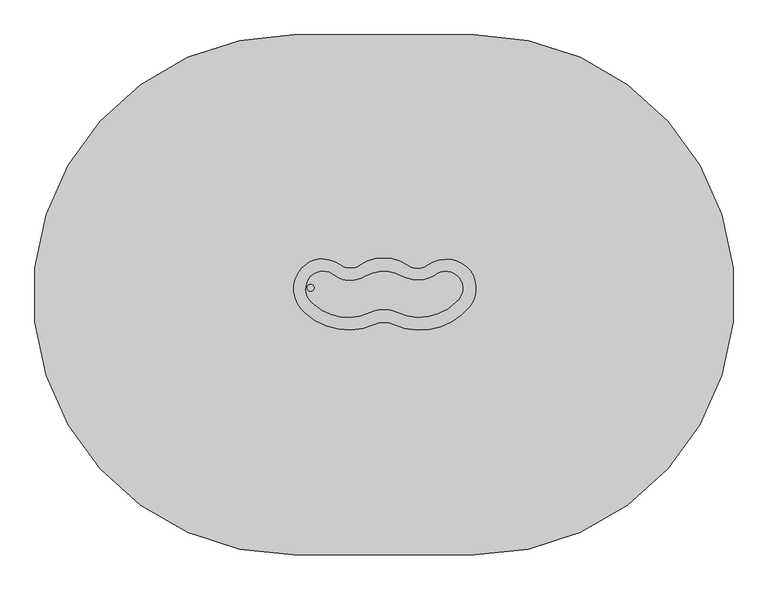
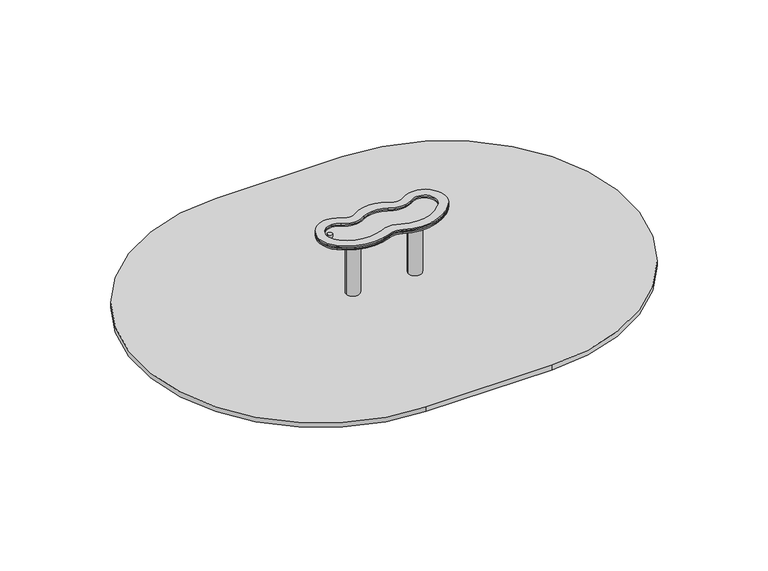
"""IFC4 building model written with IfcOpenShell, lengths in millimetres: furniture geometry."""

import ifcopenshell
import ifcopenshell.guid

model = None  # the IFC model being written
_history = None  # IfcOwnerHistory: only IFC2X3 demands one
_inside = {}  # id of a spatial element -> (the spatial element, [elements in it])
_under = {}  # id of a project, library or spatial element -> (it, [spatial elements below it])
_declared = {}  # id of a project -> (the project, [libraries it declares])
_typed = {}  # id of a type object -> (the type object, [elements of that type])
_made_of = {}  # id of a material, layer set ... -> (it, [elements and type objects made of it])


def new_model(schema):
    """Start an empty IFC model of exactly this schema.

    Asked for "IFC4X3", IfcOpenShell would pick the latest addendum, in which some entities
    have other attributes; the version numbers below select the first issue.
    IFC2X3 requires an IfcOwnerHistory on every rooted entity: one is made here for all.
    """
    global model, _history
    if schema == "IFC4X3":
        model = ifcopenshell.file(schema_version=(4, 3, 0, 0))
    else:
        model = ifcopenshell.file(schema=schema)
    _inside.clear()
    _under.clear()
    _declared.clear()
    _typed.clear()
    _made_of.clear()
    _history = None
    if model.schema == "IFC2X3":
        org = make("IfcOrganization", Name="unknown")
        user = make(
            "IfcPersonAndOrganization",
            ThePerson=make("IfcPerson", FamilyName="unknown"),
            TheOrganization=org,
        )
        app = make(
            "IfcApplication",
            ApplicationDeveloper=org,
            Version="unknown",
            ApplicationFullName="unknown",
            ApplicationIdentifier="unknown",
        )
        _history = make(
            "IfcOwnerHistory",
            OwningUser=user,
            OwningApplication=app,
            ChangeAction="ADDED",
            CreationDate=0,
        )
    return model


def make(cls, **values):
    """One entity of the class cls with the attributes given. An attribute that is None is left unset."""
    return model.create_entity(
        cls, **{name: value for name, value in values.items() if value is not None}
    )


def rooted(cls, **values):
    """An entity with a GlobalId (a new one), such as an element, a storey or a relation."""
    return make(cls, GlobalId=ifcopenshell.guid.new(), OwnerHistory=_history, **values)


def si_unit(unit_type, name, prefix=None):
    """IfcSIUnit, for example si_unit("LENGTHUNIT", "METRE", prefix="MILLI")."""
    return make("IfcSIUnit", UnitType=unit_type, Prefix=prefix, Name=name)


def assignment(units):
    """IfcUnitAssignment: the units of a project."""
    return None if units is None else make("IfcUnitAssignment", Units=units)


def point(xyz):
    """IfcCartesianPoint."""
    return None if xyz is None else make("IfcCartesianPoint", Coordinates=xyz)


def direction(xyz):
    """IfcDirection."""
    return None if xyz is None else make("IfcDirection", DirectionRatios=xyz)


def frame(location, z_axis=None, x_axis=None):
    """IfcAxis2Placement3D, a coordinate frame: its origin and axes. An axis left out is left unset."""
    return make(
        "IfcAxis2Placement3D",
        Location=point(location),
        Axis=direction(z_axis),
        RefDirection=direction(x_axis),
    )


def frame_2d(location, x_axis=None):
    """IfcAxis2Placement2D, a coordinate frame in the plane: its origin and x axis."""
    return make(
        "IfcAxis2Placement2D", Location=point(location), RefDirection=direction(x_axis)
    )


def origin():
    """The frame at (0, 0, 0) with its axes left unset."""
    return frame((0.0, 0.0, 0.0))


def place(relative_to, where):
    """IfcLocalPlacement: puts the frame where relative to a parent placement (None: the world)."""
    return make(
        "IfcLocalPlacement", PlacementRelTo=relative_to, RelativePlacement=where
    )


def context(
    kind, dimensions, precision=None, world=None, true_north=None, identifier=None
):
    """IfcGeometricRepresentationContext, for example the 3D "Model" context."""
    return make(
        "IfcGeometricRepresentationContext",
        ContextIdentifier=identifier,
        ContextType=kind,
        CoordinateSpaceDimension=dimensions,
        Precision=precision,
        WorldCoordinateSystem=world,
        TrueNorth=true_north,
    )


def project(units=None, contexts=None):
    """IfcProject with its units and contexts."""
    return rooted(
        "IfcProject",
        Name="project",
        RepresentationContexts=contexts,
        UnitsInContext=assignment(units),
    )


def spatial(cls, under=None, at=None, **own):
    """A site, building, storey or space (cls), placed at a placement, below another one or the project."""
    s = rooted(cls, ObjectPlacement=at, **own)
    if under is not None:
        _under.setdefault(under.id(), (under, []))[1].append(s)
    return s


def polyline(points):
    """IfcPolyline through the points."""
    return make("IfcPolyline", Points=[point(p) for p in points])


def circle_curve(where, radius):
    """IfcCircle in the frame where."""
    return make("IfcCircle", Position=where, Radius=radius)


def trimmed(basis, trim1, trim2, sense, master):
    """IfcTrimmedCurve: the piece of a basis curve between two trims."""
    return make(
        "IfcTrimmedCurve",
        BasisCurve=basis,
        Trim1=trim1,
        Trim2=trim2,
        SenseAgreement=sense,
        MasterRepresentation=master,
    )


def segment(curve, same_sense, transition):
    """IfcCompositeCurveSegment."""
    return make(
        "IfcCompositeCurveSegment",
        Transition=transition,
        SameSense=same_sense,
        ParentCurve=curve,
    )


def composite_curve(segments, self_intersect=None):
    """IfcCompositeCurve: segments joined end to end."""
    return make("IfcCompositeCurve", Segments=segments, SelfIntersect=self_intersect)


def outline(outer, holes=None, kind="AREA"):
    """IfcArbitraryClosedProfileDef: a profile drawn as a closed curve; with holes, ...WithVoids."""
    if holes is None:
        return make("IfcArbitraryClosedProfileDef", ProfileType=kind, OuterCurve=outer)
    return make(
        "IfcArbitraryProfileDefWithVoids",
        ProfileType=kind,
        OuterCurve=outer,
        InnerCurves=holes,
    )


def extrude(swept, where, along, depth):
    """IfcExtrudedAreaSolid: the profile swept, set in the frame where, extruded along a direction by depth."""
    return make(
        "IfcExtrudedAreaSolid",
        SweptArea=swept,
        Position=where,
        ExtrudedDirection=direction(along),
        Depth=depth,
    )


def shape(context_of_items, identifier, shape_type, items):
    """IfcShapeRepresentation: the items that make up one representation, for example the "Body"."""
    return make(
        "IfcShapeRepresentation",
        ContextOfItems=context_of_items,
        RepresentationIdentifier=identifier,
        RepresentationType=shape_type,
        Items=items,
    )


def source(mapping_origin, context_of_items, identifier, shape_type, items):
    """IfcRepresentationMap: a shape defined once, which mapped items show again and again."""
    return make(
        "IfcRepresentationMap",
        MappingOrigin=mapping_origin,
        MappedRepresentation=shape(context_of_items, identifier, shape_type, items),
    )


def transform(
    local_origin,
    x_axis=None,
    y_axis=None,
    z_axis=None,
    scale=None,
    scale2=None,
    scale3=None,
    uniform=True,
):
    """IfcCartesianTransformationOperator3D, or its non-uniform kind. x_axis, y_axis, z_axis: its Axis1, 2, 3."""
    if uniform:
        return make(
            "IfcCartesianTransformationOperator3D",
            Axis1=direction(x_axis),
            Axis2=direction(y_axis),
            LocalOrigin=point(local_origin),
            Scale=scale,
            Axis3=direction(z_axis),
        )
    return make(
        "IfcCartesianTransformationOperator3DnonUniform",
        Axis1=direction(x_axis),
        Axis2=direction(y_axis),
        LocalOrigin=point(local_origin),
        Scale=scale,
        Axis3=direction(z_axis),
        Scale2=scale2,
        Scale3=scale3,
    )


def mapped(mapping_source, mapping_target):
    """IfcMappedItem: shows the shape of a source again, moved by a transform."""
    return make(
        "IfcMappedItem", MappingSource=mapping_source, MappingTarget=mapping_target
    )


def made_of(thing, what):
    """Note that an element or type object is made of a material, layer set ...; save() writes the relation."""
    if what is not None:
        _made_of.setdefault(what.id(), (what, []))[1].append(thing)
    return thing


def element(
    cls,
    number,
    at=None,
    inside=None,
    cuts=None,
    type_object=None,
    material=None,
    context=None,
    identifier="Body",
    shape_type=None,
    held_by="IfcProductDefinitionShape",
    body=None,
    shapes=None,
    **own,
):
    """One element of the class cls, such as IfcWall. Its Tag is "e" and its number.

    at: its placement. inside: the storey or other place that contains it. cuts: it is an
    opening in that element (IfcRelVoidsElement). A single representation is given by context,
    identifier, shape_type and body (its items); several are given by shapes. held_by: the class
    of the entity that holds the representations. save() writes the other relations.
    """
    e = rooted(cls, Tag="e%d" % number, ObjectPlacement=at, **own)
    if body is not None:
        shapes = [shape(context, identifier, shape_type, body)]
    if shapes is not None:
        e.Representation = make(held_by, Representations=shapes)
    if inside is not None:
        _inside.setdefault(inside.id(), (inside, []))[1].append(e)
    if cuts is not None:
        rooted(
            "IfcRelVoidsElement", RelatingBuildingElement=cuts, RelatedOpeningElement=e
        )
    if type_object is not None:
        _typed.setdefault(type_object.id(), (type_object, []))[1].append(e)
    return made_of(e, material)


def aggregate(whole, parts):
    """IfcRelAggregates: a whole, such as a stair, and the parts it consists of."""
    return rooted("IfcRelAggregates", RelatingObject=whole, RelatedObjects=parts)


def save(model, path):
    """Write the relations noted so far, then the file.

    IfcRelAggregates (storeys below a building ...), IfcRelContainedInSpatialStructure (elements
    in a storey), IfcRelDefinesByType, IfcRelAssociatesMaterial and IfcRelDeclares: one each for
    every whole, place, type object, material and project.
    """
    for whole, parts in _under.values():
        aggregate(whole, parts)
    for where, things in _inside.values():
        rooted(
            "IfcRelContainedInSpatialStructure",
            RelatedElements=things,
            RelatingStructure=where,
        )
    for kind, things in _typed.values():
        rooted("IfcRelDefinesByType", RelatedObjects=things, RelatingType=kind)
    for what, things in _made_of.values():
        rooted("IfcRelAssociatesMaterial", RelatedObjects=things, RelatingMaterial=what)
    for by, libraries in _declared.values():
        rooted("IfcRelDeclares", RelatingContext=by, RelatedDefinitions=libraries)
    model.write(path)


def plane_surface(at):
    """IfcPlane: the flat surface through the origin of the frame at, square to its z axis."""
    return make("IfcPlane", Position=at)


def cylinder_surface(at, radius):
    """IfcCylindricalSurface: all points at the distance radius from the z axis of the frame at."""
    return make("IfcCylindricalSurface", Position=at, Radius=radius)


def extruded_surface(curve, direction_of_extrusion, depth):
    """IfcSurfaceOfLinearExtrusion: the curve pushed along a direction by depth."""
    return make(
        "IfcSurfaceOfLinearExtrusion",
        SweptCurve=make("IfcArbitraryOpenProfileDef", ProfileType="CURVE", Curve=curve),
        ExtrudedDirection=direction(direction_of_extrusion),
        Depth=depth,
    )


def advanced_brep(points, edges, surfaces, faces):
    """IfcAdvancedBrep: a solid bounded by faces that lie on surfaces and meet in shared edges.

    An edge is (start, end): straight between two places in points (the first is 0);
    or (start, end, curve); or (start, end, curve, False) where it runs against its curve.
    A face is (place in surfaces, loops), or (place, loops, False) where it looks against
    its surface's normal. A loop lists edges by number (the first is 1), with a minus sign
    where the edge is run from its end to its start. The first loop is the outer one.
    """
    corners = [point(p) for p in points]
    vertices = [make("IfcVertexPoint", VertexGeometry=c) for c in corners]
    made = []
    for start, end, *more in edges:
        made.append(
            make(
                "IfcEdgeCurve",
                EdgeStart=vertices[start],
                EdgeEnd=vertices[end],
                EdgeGeometry=more[0] if more else make("IfcPolyline", Points=[corners[start], corners[end]]),
                SameSense=more[1] if len(more) > 1 else True,
            )
        )
    hull = []
    for where, loops, *sense in faces:
        bounds = []
        for j, loop in enumerate(loops):
            ring = [make("IfcOrientedEdge", EdgeElement=made[abs(k) - 1], Orientation=k > 0) for k in loop]
            bounds.append(
                make(
                    "IfcFaceOuterBound" if j == 0 else "IfcFaceBound",
                    Bound=make("IfcEdgeLoop", EdgeList=ring),
                    Orientation=True,
                )
            )
        hull.append(make("IfcAdvancedFace", Bounds=bounds, FaceSurface=surfaces[where], SameSense=sense[0] if sense else True))
    return make("IfcAdvancedBrep", Outer=make("IfcClosedShell", CfsFaces=hull))


def furniture_0138c897(model_context):
    return source(origin(), model_context, "Body", "SolidModel", [
        extrude(outline(composite_curve([segment(trimmed(circle_curve(frame_2d((-357.0, 0.0)), 55.0), [point((-412.0, 0.0))], [point((-302.0, 0.0))], False, "CARTESIAN"), True, "CONTINUOUS"), segment(trimmed(circle_curve(frame_2d((-357.0, 0.0)), 55.0), [point((-302.0, 0.0))], [point((-412.0, 0.0))], False, "CARTESIAN"), True, "CONTINUOUS")], self_intersect=False)), frame((0.0, 0.0, -600.0), z_axis=(0.0, 0.0, 1.0), x_axis=(1.0, 0.0, 0.0)), (0.0, 0.0, 1.0), 500.0),
        advanced_brep(
        [(-267.0, 150.0, -600.0), (-207.0, 90.0, -600.0), (-207.0, -90.0, -600.0), (-267.0, -150.0, -600.0), (-447.0, -150.0, -600.0), (-507.0, -90.0, -600.0), (-507.0, 90.0, -600.0), (-447.0, 150.0, -600.0), (-447.0, 150.0, -460.0), (-267.0, 150.0, -460.0), (-507.0, -90.0, -460.0), (-507.0, 90.0, -460.0), (-267.0, -150.0, -460.0), (-447.0, -150.0, -460.0), (-207.0, 90.0, -460.0), (-207.0, -90.0, -460.0), (-369.2959549, 72.6989403, -250.0), (-429.2959549, 12.6989403, -250.0), (-429.2959549, -12.6989403, -250.0), (-369.2959549, -72.6989403, -250.0), (-344.7040451, -72.6989403, -250.0), (-284.7040451, -12.6989403, -250.0), (-284.7040451, 12.6989403, -250.0), (-344.7040451, 72.6989403, -250.0)],
        [
            (0, 1, circle_curve(frame((-267.0, 90.0, -600.0), z_axis=(0.0, 0.0, -1.0), x_axis=(1.0, 0.0, 0.0)), 60.0)),
            (1, 2),
            (2, 3, circle_curve(frame((-267.0, -90.0, -600.0), z_axis=(0.0, 0.0, -1.0), x_axis=(1.0, 0.0, 0.0)), 60.0)),
            (3, 4),
            (4, 5, circle_curve(frame((-447.0, -90.0, -600.0), z_axis=(0.0, 0.0, -1.0), x_axis=(1.0, 0.0, 0.0)), 60.0)),
            (5, 6),
            (6, 7, circle_curve(frame((-447.0, 90.0, -600.0), z_axis=(0.0, 0.0, -1.0), x_axis=(1.0, 0.0, 0.0)), 60.0)),
            (7, 0),
            (7, 8),
            (8, 9),
            (9, 0),
            (5, 10),
            (10, 11),
            (11, 6),
            (3, 12),
            (12, 13),
            (13, 4),
            (1, 14),
            (14, 15),
            (15, 2),
            (16, 17, circle_curve(frame((-369.2959549, 12.6989403, -250.0), z_axis=(0.0, 0.0, 1.0), x_axis=(1.0, 0.0, 0.0)), 60.0)),
            (17, 18),
            (18, 19, circle_curve(frame((-369.2959549, -12.6989403, -250.0), z_axis=(0.0, 0.0, 1.0), x_axis=(1.0, 0.0, 0.0)), 60.0)),
            (19, 20),
            (20, 21, circle_curve(frame((-344.7040451, -12.6989403, -250.0), z_axis=(0.0, 0.0, 1.0), x_axis=(1.0, 0.0, 0.0)), 60.0)),
            (21, 22),
            (22, 23, circle_curve(frame((-344.7040451, 12.6989403, -250.0), z_axis=(0.0, 0.0, 1.0), x_axis=(1.0, 0.0, 0.0)), 60.0)),
            (23, 16),
            (17, 11),
            (10, 18),
            (19, 13),
            (12, 20),
            (21, 15),
            (14, 22),
            (23, 9),
            (8, 16),
            (11, 8, circle_curve(frame((-447.0, 90.0, -460.0), z_axis=(0.0, 0.0, -1.0), x_axis=(1.0, 0.0, 0.0)), 60.0)),
            (13, 10, circle_curve(frame((-447.0, -90.0, -460.0), z_axis=(0.0, 0.0, -1.0), x_axis=(1.0, 0.0, 0.0)), 60.0)),
            (15, 12, circle_curve(frame((-267.0, -90.0, -460.0), z_axis=(0.0, 0.0, -1.0), x_axis=(1.0, 0.0, 0.0)), 60.0)),
            (9, 14, circle_curve(frame((-267.0, 90.0, -460.0), z_axis=(0.0, 0.0, -1.0), x_axis=(1.0, 0.0, 0.0)), 60.0)),
        ],
        [
            plane_surface(frame((-533.6329682, 150.0, -600.0), z_axis=(0.0, 0.0, -1.0), x_axis=(1.0, 0.0, 0.0))),
            plane_surface(frame((-267.0, 150.0, -460.0), z_axis=(0.0, 1.0, 0.0), x_axis=(0.0, 0.0, -1.0))),
            plane_surface(frame((-507.0, 90.0, -460.0), z_axis=(-1.0, 0.0, 0.0), x_axis=(0.0, 0.0, -1.0))),
            plane_surface(frame((-447.0, -150.0, -460.0), z_axis=(0.0, -1.0, 0.0), x_axis=(0.0, 0.0, -1.0))),
            plane_surface(frame((-207.0, -90.0, -460.0), z_axis=(1.0, 0.0, 0.0), x_axis=(0.0, 0.0, -1.0))),
            plane_surface(frame((-357.0, 0.0, -250.0), z_axis=(0.0, 0.0, 1.0), x_axis=(-1.0, 0.0, 0.0))),
            plane_surface(frame((-507.0, 0.0, -460.0), z_axis=(-0.9378559633153523, 0.0, 0.3470247715564883), x_axis=(0.0, -1.0, 0.0))),
            plane_surface(frame((-357.0, -150.0, -460.0), z_axis=(0.0, -0.9384407279810882, 0.3454402988452927), x_axis=(1.0, 0.0, 0.0))),
            plane_surface(frame((-207.0, 0.0, -460.0), z_axis=(0.9378559633153524, 0.0, 0.34702477155648764), x_axis=(0.0, 1.0, 0.0))),
            plane_surface(frame((-357.0, 150.0, -460.0), z_axis=(0.0, 0.9384407279810884, 0.3454402988452924), x_axis=(-1.0, 0.0, 0.0))),
            cylinder_surface(frame((-447.0, 90.0, -600.0), z_axis=(0.0, 0.0, 1.0), x_axis=(1.0, 0.0, 0.0)), 60.0),
            cylinder_surface(frame((-447.0, -90.0, -600.0), z_axis=(0.0, 0.0, 1.0), x_axis=(1.0, 0.0, 0.0)), 60.0),
            cylinder_surface(frame((-267.0, -90.0, -600.0), z_axis=(0.0, 0.0, 1.0), x_axis=(1.0, 0.0, 0.0)), 60.0),
            cylinder_surface(frame((-267.0, 90.0, -600.0), z_axis=(0.0, 0.0, 1.0), x_axis=(1.0, 0.0, 0.0)), 60.0),
            extruded_surface(trimmed(circle_curve(frame((-447.0, 90.0, -460.0), z_axis=(0.0, 0.0, 1.0), x_axis=(1.0, 0.0, 0.0)), 60.0), [point((-447.0, 150.0, -460.0))], [point((-507.0, 90.0, -460.0))], True, "CARTESIAN"), (77.70404509999997, -77.3010597, 210.0), 236.8826132404947),
            extruded_surface(trimmed(circle_curve(frame((-267.0, 90.0, -460.0), z_axis=(0.0, 0.0, 1.0), x_axis=(1.0, 0.0, 0.0)), 60.0), [point((-207.0, 90.0, -460.0))], [point((-267.0, 150.0, -460.0))], True, "CARTESIAN"), (-77.70404509999997, -77.3010597, 210.0), 236.8826132404947),
            extruded_surface(trimmed(circle_curve(frame((-447.0, -90.0, -460.0), z_axis=(0.0, 0.0, 1.0), x_axis=(1.0, 0.0, 0.0)), 60.0), [point((-507.0, -90.0, -460.0))], [point((-447.0, -150.0, -460.0))], True, "CARTESIAN"), (77.70404509999997, 77.3010597, 210.0), 236.8826132404947),
            extruded_surface(trimmed(circle_curve(frame((-267.0, -90.0, -460.0), z_axis=(0.0, 0.0, 1.0), x_axis=(1.0, 0.0, 0.0)), 60.0), [point((-267.0, -150.0, -460.0))], [point((-207.0, -90.0, -460.0))], True, "CARTESIAN"), (-77.70404509999997, 77.3010597, 210.0), 236.8826132404947),
        ],
        [
            (0, [[1, 2, 3, 4, 5, 6, 7, 8]]),
            (1, [[-8, 9, 10, 11]]),
            (2, [[-6, 12, 13, 14]]),
            (3, [[-4, 15, 16, 17]]),
            (4, [[-2, 18, 19, 20]]),
            (5, [[21, 22, 23, 24, 25, 26, 27, 28]]),
            (6, [[-22, 29, -13, 30]]),
            (7, [[-24, 31, -16, 32]]),
            (8, [[-26, 33, -19, 34]]),
            (9, [[-28, 35, -10, 36]]),
            (10, [[-7, -14, 37, -9]]),
            (11, [[-5, -17, 38, -12]]),
            (12, [[-3, -20, 39, -15]]),
            (13, [[-1, -11, 40, -18]]),
            (14, [[-21, -36, -37, -29]]),
            (15, [[-27, -34, -40, -35]]),
            (16, [[-23, -30, -38, -31]]),
            (17, [[-25, -32, -39, -33]]),
        ],
    ),
        extrude(outline(composite_curve([segment(trimmed(circle_curve(frame_2d((155.0, 0.0)), 55.0), [point((100.0, 0.0))], [point((210.0, 0.0))], False, "CARTESIAN"), True, "CONTINUOUS"), segment(trimmed(circle_curve(frame_2d((155.0, 0.0)), 55.0), [point((210.0, 0.0))], [point((100.0, 0.0))], False, "CARTESIAN"), True, "CONTINUOUS")], self_intersect=False)), frame((0.0, 0.0, -600.0), z_axis=(0.0, 0.0, 1.0), x_axis=(1.0, 0.0, 0.0)), (0.0, 0.0, 1.0), 500.0),
        advanced_brep(
        [(245.0, 150.0, -600.0), (305.0, 90.0, -600.0), (305.0, -90.0, -600.0), (245.0, -150.0, -600.0), (65.0, -150.0, -600.0), (5.0, -90.0, -600.0), (5.0, 90.0, -600.0), (65.0, 150.0, -600.0), (65.0, 150.0, -460.0), (245.0, 150.0, -460.0), (5.0, -90.0, -460.0), (5.0, 90.0, -460.0), (245.0, -150.0, -460.0), (65.0, -150.0, -460.0), (305.0, 90.0, -460.0), (305.0, -90.0, -460.0), (142.7040451, 72.6989403, -250.0), (82.7040451, 12.6989403, -250.0), (82.7040451, -12.6989403, -250.0), (142.7040451, -72.6989403, -250.0), (167.2959549, -72.6989403, -250.0), (227.2959549, -12.6989403, -250.0), (227.2959549, 12.6989403, -250.0), (167.2959549, 72.6989403, -250.0)],
        [
            (0, 1, circle_curve(frame((245.0, 90.0, -600.0), z_axis=(0.0, 0.0, -1.0), x_axis=(1.0, 0.0, 0.0)), 60.0)),
            (1, 2),
            (2, 3, circle_curve(frame((245.0, -90.0, -600.0), z_axis=(0.0, 0.0, -1.0), x_axis=(1.0, 0.0, 0.0)), 60.0)),
            (3, 4),
            (4, 5, circle_curve(frame((65.0, -90.0, -600.0), z_axis=(0.0, 0.0, -1.0), x_axis=(1.0, 0.0, 0.0)), 60.0)),
            (5, 6),
            (6, 7, circle_curve(frame((65.0, 90.0, -600.0), z_axis=(0.0, 0.0, -1.0), x_axis=(1.0, 0.0, 0.0)), 60.0)),
            (7, 0),
            (7, 8),
            (8, 9),
            (9, 0),
            (5, 10),
            (10, 11),
            (11, 6),
            (3, 12),
            (12, 13),
            (13, 4),
            (1, 14),
            (14, 15),
            (15, 2),
            (16, 17, circle_curve(frame((142.7040451, 12.6989403, -250.0), z_axis=(0.0, 0.0, 1.0), x_axis=(1.0, 0.0, 0.0)), 60.0)),
            (17, 18),
            (18, 19, circle_curve(frame((142.7040451, -12.6989403, -250.0), z_axis=(0.0, 0.0, 1.0), x_axis=(1.0, 0.0, 0.0)), 60.0)),
            (19, 20),
            (20, 21, circle_curve(frame((167.2959549, -12.6989403, -250.0), z_axis=(0.0, 0.0, 1.0), x_axis=(1.0, 0.0, 0.0)), 60.0)),
            (21, 22),
            (22, 23, circle_curve(frame((167.2959549, 12.6989403, -250.0), z_axis=(0.0, 0.0, 1.0), x_axis=(1.0, 0.0, 0.0)), 60.0)),
            (23, 16),
            (17, 11),
            (10, 18),
            (19, 13),
            (12, 20),
            (21, 15),
            (14, 22),
            (23, 9),
            (8, 16),
            (11, 8, circle_curve(frame((65.0, 90.0, -460.0), z_axis=(0.0, 0.0, -1.0), x_axis=(1.0, 0.0, 0.0)), 60.0)),
            (13, 10, circle_curve(frame((65.0, -90.0, -460.0), z_axis=(0.0, 0.0, -1.0), x_axis=(1.0, 0.0, 0.0)), 60.0)),
            (15, 12, circle_curve(frame((245.0, -90.0, -460.0), z_axis=(0.0, 0.0, -1.0), x_axis=(1.0, 0.0, 0.0)), 60.0)),
            (9, 14, circle_curve(frame((245.0, 90.0, -460.0), z_axis=(0.0, 0.0, -1.0), x_axis=(1.0, 0.0, 0.0)), 60.0)),
        ],
        [
            plane_surface(frame((-21.6329682, 150.0, -600.0), z_axis=(0.0, 0.0, -1.0), x_axis=(1.0, 0.0, 0.0))),
            plane_surface(frame((245.0, 150.0, -460.0), z_axis=(0.0, 1.0, 0.0), x_axis=(0.0, 0.0, -1.0))),
            plane_surface(frame((5.0, 90.0, -460.0), z_axis=(-1.0, 0.0, 0.0), x_axis=(0.0, 0.0, -1.0))),
            plane_surface(frame((65.0, -150.0, -460.0), z_axis=(0.0, -1.0, 0.0), x_axis=(0.0, 0.0, -1.0))),
            plane_surface(frame((305.0, -90.0, -460.0), z_axis=(1.0, 0.0, 0.0), x_axis=(0.0, 0.0, -1.0))),
            plane_surface(frame((155.0, 0.0, -250.0), z_axis=(0.0, 0.0, 1.0), x_axis=(-1.0, 0.0, 0.0))),
            plane_surface(frame((5.0, 0.0, -460.0), z_axis=(-0.9378559633153523, 0.0, 0.3470247715564883), x_axis=(0.0, -1.0, 0.0))),
            plane_surface(frame((155.0, -150.0, -460.0), z_axis=(0.0, -0.9384407279810882, 0.3454402988452927), x_axis=(1.0, 0.0, 0.0))),
            plane_surface(frame((305.0, 0.0, -460.0), z_axis=(0.9378559633153524, 0.0, 0.34702477155648764), x_axis=(0.0, 1.0, 0.0))),
            plane_surface(frame((155.0, 150.0, -460.0), z_axis=(0.0, 0.9384407279810884, 0.3454402988452924), x_axis=(-1.0, 0.0, 0.0))),
            cylinder_surface(frame((65.0, 90.0, -600.0), z_axis=(0.0, 0.0, 1.0), x_axis=(1.0, 0.0, 0.0)), 60.0),
            cylinder_surface(frame((65.0, -90.0, -600.0), z_axis=(0.0, 0.0, 1.0), x_axis=(1.0, 0.0, 0.0)), 60.0),
            cylinder_surface(frame((245.0, -90.0, -600.0), z_axis=(0.0, 0.0, 1.0), x_axis=(1.0, 0.0, 0.0)), 60.0),
            cylinder_surface(frame((245.0, 90.0, -600.0), z_axis=(0.0, 0.0, 1.0), x_axis=(1.0, 0.0, 0.0)), 60.0),
            extruded_surface(trimmed(circle_curve(frame((65.0, 90.0, -460.0), z_axis=(0.0, 0.0, 1.0), x_axis=(1.0, 0.0, 0.0)), 60.0), [point((65.0, 150.0, -460.0))], [point((5.0, 90.0, -460.0))], True, "CARTESIAN"), (77.7040451, -77.3010597, 210.0), 236.8826132404947),
            extruded_surface(trimmed(circle_curve(frame((245.0, 90.0, -460.0), z_axis=(0.0, 0.0, 1.0), x_axis=(1.0, 0.0, 0.0)), 60.0), [point((305.0, 90.0, -460.0))], [point((245.0, 150.0, -460.0))], True, "CARTESIAN"), (-77.7040451, -77.3010597, 210.0), 236.8826132404947),
            extruded_surface(trimmed(circle_curve(frame((65.0, -90.0, -460.0), z_axis=(0.0, 0.0, 1.0), x_axis=(1.0, 0.0, 0.0)), 60.0), [point((5.0, -90.0, -460.0))], [point((65.0, -150.0, -460.0))], True, "CARTESIAN"), (77.7040451, 77.3010597, 210.0), 236.8826132404947),
            extruded_surface(trimmed(circle_curve(frame((245.0, -90.0, -460.0), z_axis=(0.0, 0.0, 1.0), x_axis=(1.0, 0.0, 0.0)), 60.0), [point((245.0, -150.0, -460.0))], [point((305.0, -90.0, -460.0))], True, "CARTESIAN"), (-77.7040451, 77.3010597, 210.0), 236.8826132404947),
        ],
        [
            (0, [[1, 2, 3, 4, 5, 6, 7, 8]]),
            (1, [[-8, 9, 10, 11]]),
            (2, [[-6, 12, 13, 14]]),
            (3, [[-4, 15, 16, 17]]),
            (4, [[-2, 18, 19, 20]]),
            (5, [[21, 22, 23, 24, 25, 26, 27, 28]]),
            (6, [[-22, 29, -13, 30]]),
            (7, [[-24, 31, -16, 32]]),
            (8, [[-26, 33, -19, 34]]),
            (9, [[-28, 35, -10, 36]]),
            (10, [[-7, -14, 37, -9]]),
            (11, [[-5, -17, 38, -12]]),
            (12, [[-3, -20, 39, -15]]),
            (13, [[-1, -11, 40, -18]]),
            (14, [[-21, -36, -37, -29]]),
            (15, [[-27, -34, -40, -35]]),
            (16, [[-23, -30, -38, -31]]),
            (17, [[-25, -32, -39, -33]]),
        ],
    ),
        extrude(outline(composite_curve([segment(polyline([(420.0, -1500.0), (-620.0, -1500.0)]), True, "CONTINUOUS"), segment(trimmed(circle_curve(frame_2d((-620.0, 0.0)), 1500.0), [point((-620.0, -1500.0))], [point((-620.0, 1500.0))], False, "CARTESIAN"), True, "CONTINUOUS"), segment(polyline([(-620.0, 1500.0), (420.0, 1500.0)]), True, "CONTINUOUS"), segment(trimmed(circle_curve(frame_2d((420.0, 0.0)), 1500.0), [point((420.0, 1500.0))], [point((420.0, -1500.0))], False, "CARTESIAN"), True, "CONTINUOUS")], self_intersect=False)), frame((0.0, 0.0, -40.0), z_axis=(0.0, 0.0, 1.0), x_axis=(1.0, 0.0, 0.0)), (0.0, 0.0, 1.0), 41.0),
        extrude(outline(composite_curve([segment(trimmed(circle_curve(frame_2d((-459.2692714, 59.0413315)), 148.055284), [point((-545.2674729, 179.5596971))], [point((-451.364212, 206.8854289))], False, "CARTESIAN"), True, "CONTINUOUS"), segment(trimmed(circle_curve(frame_2d((-462.0047142, 7.8818083)), 199.2878855), [point((-451.364212, 206.8854289))], [point((-347.8706817, 171.2497486))], False, "CARTESIAN"), True, "CONTINUOUS"), segment(trimmed(circle_curve(frame_2d((-293.0431982, 249.7281204)), 95.7335248), [point((-347.8706817, 171.2497486))], [point((-238.2157148, 171.2497486))], True, "CARTESIAN"), True, "CONTINUOUS"), segment(trimmed(circle_curve(frame_2d((-102.243556, -23.3766129)), 237.4191411), [point((-238.2157148, 171.2497486))], [point((33.7286023, 171.2497489))], False, "CARTESIAN"), True, "CONTINUOUS"), segment(trimmed(circle_curve(frame_2d((92.9422841, 256.0063903)), 103.3922065), [point((33.7286023, 171.2497489))], [point((152.155966, 171.2497491))], True, "CARTESIAN"), True, "CONTINUOUS"), segment(trimmed(circle_curve(frame_2d((260.2646325, 16.5063324)), 188.7670754), [point((152.155966, 171.2497491))], [point((289.5970094, 202.9805141))], False, "CARTESIAN"), True, "CONTINUOUS"), segment(trimmed(circle_curve(frame_2d((263.695911, 38.3199363)), 166.6852506), [point((289.5970094, 202.9805141))], [point((393.1009425, -66.7434283))], False, "CARTESIAN"), True, "CONTINUOUS"), segment(trimmed(circle_curve(frame_2d((107.8446085, 164.8549096)), 367.4356627), [point((393.1009425, -66.7434283))], [point((-44.5993054, -169.465026))], False, "CARTESIAN"), True, "CONTINUOUS"), segment(trimmed(circle_curve(frame_2d((-100.3029417, -291.6269125)), 134.2625101), [point((-44.5993054, -169.465026))], [point((-156.006578, -169.465026))], True, "CARTESIAN"), True, "CONTINUOUS"), segment(trimmed(circle_curve(frame_2d((-306.0383586, 159.5649364)), 361.6216965), [point((-156.006578, -169.465026))], [point((-550.4029113, -106.9987835))], False, "CARTESIAN"), True, "CONTINUOUS"), segment(trimmed(circle_curve(frame_2d((-441.6701796, 34.3778647)), 178.3540401), [point((-550.4029113, -106.9987835))], [point((-545.2674729, 179.5596971))], False, "CARTESIAN"), True, "CONTINUOUS")], self_intersect=False), holes=[composite_curve([segment(trimmed(circle_curve(frame_2d((-102.2292437, -73.0758988)), 209.6300423), [point((-0.2881633, 110.0982554))], [point((-200.5613327, 112.0606856))], True, "CARTESIAN"), True, "CONTINUOUS"), segment(trimmed(circle_curve(frame_2d((-293.0459002, 242.3591242)), 159.7844746), [point((-200.5613327, 112.0606856))], [point((-390.6132256, 115.8217964))], False, "CARTESIAN"), True, "CONTINUOUS"), segment(trimmed(circle_curve(frame_2d((-452.4513488, 35.6224997)), 101.2713218), [point((-390.6132256, 115.8217964))], [point((-451.8076326, 136.8917757))], True, "CARTESIAN"), True, "CONTINUOUS"), segment(trimmed(circle_curve(frame_2d((-452.4523356, 35.622373)), 101.2714548), [point((-451.8076326, 136.8917757))], [point((-505.9110936, 121.6343997))], True, "CARTESIAN"), True, "CONTINUOUS"), segment(trimmed(circle_curve(frame_2d((-441.6701796, 34.3778647)), 108.3540397), [point((-505.9110936, 121.6343997))], [point((-501.5217668, -55.9459164))], True, "CARTESIAN"), True, "CONTINUOUS"), segment(trimmed(circle_curve(frame_2d((-306.8435312, 165.8070921)), 295.0830598), [point((-501.5217668, -55.9459164))], [point((-182.2147179, -101.6656562))], True, "CARTESIAN"), True, "CONTINUOUS"), segment(trimmed(circle_curve(frame_2d((-101.8169364, -274.6687287)), 190.7717651), [point((-182.2147179, -101.6656562))], [point((-20.7442156, -101.980917))], False, "CARTESIAN"), True, "CONTINUOUS"), segment(trimmed(circle_curve(frame_2d((103.4132656, 163.1555529)), 292.7668489), [point((-20.7442156, -101.980917))], [point((313.205153, -41.0497158))], True, "CARTESIAN"), True, "CONTINUOUS"), segment(trimmed(circle_curve(frame_2d((255.1212805, 38.1786764)), 98.2388638), [point((313.205153, -41.0497158))], [point((191.9353979, 113.4011372))], True, "CARTESIAN"), True, "CONTINUOUS"), segment(trimmed(circle_curve(frame_2d((92.9726039, 277.6750762)), 191.7799824), [point((191.9353979, 113.4011372))], [point((-0.2881633, 110.0982554))], False, "CARTESIAN"), True, "CONTINUOUS")], self_intersect=False)]), frame((0.0, 0.0, 528.5936532), z_axis=(0.0, 0.0, 1.0), x_axis=(1.0, 0.0, 0.0)), (0.0, 0.0, 1.0), 11.5936532),
        extrude(outline(composite_curve([segment(trimmed(circle_curve(frame_2d((-459.291694, 59.0413315)), 148.055284), [point((-545.2898955, 179.5596971))], [point((-451.3866346, 206.8854289))], False, "CARTESIAN"), True, "CONTINUOUS"), segment(trimmed(circle_curve(frame_2d((-462.0271368, 7.8818083)), 199.2878855), [point((-451.3866346, 206.8854289))], [point((-347.8931043, 171.2497486))], False, "CARTESIAN"), True, "CONTINUOUS"), segment(trimmed(circle_curve(frame_2d((-293.0656208, 249.7281204)), 95.7335248), [point((-347.8931043, 171.2497486))], [point((-238.2381374, 171.2497486))], True, "CARTESIAN"), True, "CONTINUOUS"), segment(trimmed(circle_curve(frame_2d((-102.2659786, -23.3766129)), 237.4191411), [point((-238.2381374, 171.2497486))], [point((33.7061797, 171.2497489))], False, "CARTESIAN"), True, "CONTINUOUS"), segment(trimmed(circle_curve(frame_2d((92.9198615, 256.0063903)), 103.3922065), [point((33.7061797, 171.2497489))], [point((152.1335434, 171.2497491))], True, "CARTESIAN"), True, "CONTINUOUS"), segment(trimmed(circle_curve(frame_2d((260.2422099, 16.5063324)), 188.7670754), [point((152.1335434, 171.2497491))], [point((289.5745868, 202.9805141))], False, "CARTESIAN"), True, "CONTINUOUS"), segment(trimmed(circle_curve(frame_2d((263.6734884, 38.3199363)), 166.6852506), [point((289.5745868, 202.9805141))], [point((393.07852, -66.7434283))], False, "CARTESIAN"), True, "CONTINUOUS"), segment(trimmed(circle_curve(frame_2d((107.8221859, 164.8549096)), 367.4356627), [point((393.07852, -66.7434283))], [point((-44.621728, -169.465026))], False, "CARTESIAN"), True, "CONTINUOUS"), segment(trimmed(circle_curve(frame_2d((-100.3253643, -291.6269125)), 134.2625101), [point((-44.621728, -169.465026))], [point((-156.0290006, -169.465026))], True, "CARTESIAN"), True, "CONTINUOUS"), segment(trimmed(circle_curve(frame_2d((-306.0607812, 159.5649364)), 361.6216965), [point((-156.0290006, -169.465026))], [point((-550.4253339, -106.9987835))], False, "CARTESIAN"), True, "CONTINUOUS"), segment(trimmed(circle_curve(frame_2d((-441.6926022, 34.3778647)), 178.3540401), [point((-550.4253339, -106.9987835))], [point((-545.2898955, 179.5596971))], False, "CARTESIAN"), True, "CONTINUOUS")], self_intersect=False), holes=[composite_curve([segment(trimmed(circle_curve(frame_2d((-102.2516663, -73.0758988)), 209.6300423), [point((-0.3105859, 110.0982554))], [point((-200.5837553, 112.0606856))], True, "CARTESIAN"), True, "CONTINUOUS"), segment(trimmed(circle_curve(frame_2d((-293.0683228, 242.3591242)), 159.7844746), [point((-200.5837553, 112.0606856))], [point((-390.6356482, 115.8217964))], False, "CARTESIAN"), True, "CONTINUOUS"), segment(trimmed(circle_curve(frame_2d((-452.4737714, 35.6224997)), 101.2713218), [point((-390.6356482, 115.8217964))], [point((-451.8300551, 136.8917757))], True, "CARTESIAN"), True, "CONTINUOUS"), segment(trimmed(circle_curve(frame_2d((-452.4747581, 35.622373)), 101.2714548), [point((-451.8300551, 136.8917757))], [point((-505.9335162, 121.6343997))], True, "CARTESIAN"), True, "CONTINUOUS"), segment(trimmed(circle_curve(frame_2d((-441.6926022, 34.3778647)), 108.3540397), [point((-505.9335162, 121.6343997))], [point((-501.5441894, -55.9459164))], True, "CARTESIAN"), True, "CONTINUOUS"), segment(trimmed(circle_curve(frame_2d((-306.8659538, 165.8070921)), 295.0830598), [point((-501.5441894, -55.9459164))], [point((-182.2371404, -101.6656562))], True, "CARTESIAN"), True, "CONTINUOUS"), segment(trimmed(circle_curve(frame_2d((-101.839359, -274.6687287)), 190.7717651), [point((-182.2371404, -101.6656562))], [point((-20.7666381, -101.980917))], False, "CARTESIAN"), True, "CONTINUOUS"), segment(trimmed(circle_curve(frame_2d((103.390843, 163.1555529)), 292.7668489), [point((-20.7666381, -101.980917))], [point((313.1827304, -41.0497158))], True, "CARTESIAN"), True, "CONTINUOUS"), segment(trimmed(circle_curve(frame_2d((255.0988579, 38.1786764)), 98.2388638), [point((313.1827304, -41.0497158))], [point((191.9129753, 113.4011372))], True, "CARTESIAN"), True, "CONTINUOUS"), segment(trimmed(circle_curve(frame_2d((92.9501813, 277.6750762)), 191.7799824), [point((191.9129753, 113.4011372))], [point((-0.3105859, 110.0982554))], False, "CARTESIAN"), True, "CONTINUOUS")], self_intersect=False)]), frame((0.0, 0.0, 517.0), z_axis=(0.0, 0.0, 1.0), x_axis=(1.0, 0.0, 0.0)), (0.0, 0.0, 1.0), 11.5936532),
        extrude(outline(composite_curve([segment(trimmed(circle_curve(frame_2d((-459.2916939, 59.0413317)), 148.055284), [point((-545.2898954, 179.5596974))], [point((-451.3866344, 206.8854292))], False, "CARTESIAN"), True, "CONTINUOUS"), segment(trimmed(circle_curve(frame_2d((-462.0271367, 7.8818085)), 199.2878855), [point((-451.3866344, 206.8854292))], [point((-347.8931042, 171.2497489))], False, "CARTESIAN"), True, "CONTINUOUS"), segment(trimmed(circle_curve(frame_2d((-293.0656209, 249.7281206)), 95.7335247), [point((-347.8931042, 171.2497489))], [point((-238.2381376, 171.2497489))], True, "CARTESIAN"), True, "CONTINUOUS"), segment(trimmed(circle_curve(frame_2d((-102.2659791, -23.3766128)), 237.4191412), [point((-238.2381376, 171.2497489))], [point((33.7061795, 171.2497489))], False, "CARTESIAN"), True, "CONTINUOUS"), segment(trimmed(circle_curve(frame_2d((92.9198614, 256.0063903)), 103.3922066), [point((33.7061795, 171.2497489))], [point((152.1335434, 171.2497489))], True, "CARTESIAN"), True, "CONTINUOUS"), segment(trimmed(circle_curve(frame_2d((260.2422098, 16.506332)), 188.7670756), [point((152.1335434, 171.2497489))], [point((289.5745864, 202.9805139))], False, "CARTESIAN"), True, "CONTINUOUS"), segment(trimmed(circle_curve(frame_2d((263.6734883, 38.3199362)), 166.6852505), [point((289.5745864, 202.9805139))], [point((393.0785197, -66.7434284))], False, "CARTESIAN"), True, "CONTINUOUS"), segment(trimmed(circle_curve(frame_2d((107.8221861, 164.8549095)), 367.4356624), [point((393.0785197, -66.7434284))], [point((-44.6217277, -169.4650258))], False, "CARTESIAN"), True, "CONTINUOUS"), segment(trimmed(circle_curve(frame_2d((-100.3253641, -291.6269124)), 134.2625102), [point((-44.6217277, -169.4650258))], [point((-156.0290004, -169.4650258))], True, "CARTESIAN"), True, "CONTINUOUS"), segment(trimmed(circle_curve(frame_2d((-306.0607811, 159.5649366)), 361.6216965), [point((-156.0290004, -169.4650258))], [point((-550.4253338, -106.9987833))], False, "CARTESIAN"), True, "CONTINUOUS"), segment(trimmed(circle_curve(frame_2d((-441.6926021, 34.377865)), 178.3540401), [point((-550.4253338, -106.9987833))], [point((-545.2898954, 179.5596974))], False, "CARTESIAN"), True, "CONTINUOUS")], self_intersect=False), holes=[composite_curve([segment(trimmed(circle_curve(frame_2d((-102.2516668, -73.0758987)), 209.6300422), [point((-0.3105862, 110.0982553))], [point((-200.5837556, 112.0606858))], True, "CARTESIAN"), True, "CONTINUOUS"), segment(trimmed(circle_curve(frame_2d((-293.0683229, 242.3591244)), 159.7844745), [point((-200.5837556, 112.0606858))], [point((-390.6356482, 115.8217966))], False, "CARTESIAN"), True, "CONTINUOUS"), segment(trimmed(circle_curve(frame_2d((-452.4737713, 35.6225)), 101.2713217), [point((-390.6356482, 115.8217966))], [point((-451.830055, 136.8917758))], True, "CARTESIAN"), True, "CONTINUOUS"), segment(trimmed(circle_curve(frame_2d((-452.474758, 35.6223733)), 101.2714546), [point((-451.830055, 136.8917758))], [point((-505.9335161, 121.6343998))], True, "CARTESIAN"), True, "CONTINUOUS"), segment(trimmed(circle_curve(frame_2d((-441.6926021, 34.377865)), 108.3540396), [point((-505.9335161, 121.6343998))], [point((-501.5441893, -55.945916))], True, "CARTESIAN"), True, "CONTINUOUS"), segment(trimmed(circle_curve(frame_2d((-306.8659537, 165.8070922)), 295.0830597), [point((-501.5441893, -55.945916))], [point((-182.2371403, -101.6656559))], True, "CARTESIAN"), True, "CONTINUOUS"), segment(trimmed(circle_curve(frame_2d((-101.8393587, -274.6687287)), 190.7717654), [point((-182.2371403, -101.6656559))], [point((-20.766638, -101.9809166))], False, "CARTESIAN"), True, "CONTINUOUS"), segment(trimmed(circle_curve(frame_2d((103.3908432, 163.1555529)), 292.7668485), [point((-20.766638, -101.9809166))], [point((313.182729, -41.0497169))], True, "CARTESIAN"), True, "CONTINUOUS"), segment(trimmed(circle_curve(frame_2d((255.0988579, 38.1786763)), 98.2388638), [point((313.182729, -41.0497169))], [point((191.9129747, 113.4011366))], True, "CARTESIAN"), True, "CONTINUOUS"), segment(trimmed(circle_curve(frame_2d((92.9501813, 277.6750762)), 191.7799825), [point((191.9129747, 113.4011366))], [point((-0.3105862, 110.0982553))], False, "CARTESIAN"), True, "CONTINUOUS")], self_intersect=False)]), frame((0.0, 0.0, 517.0), z_axis=(0.0, 0.0, 1.0), x_axis=(1.0, 0.0, 0.0)), (0.0, 0.0, 1.0), 11.5936532),
        extrude(outline(composite_curve([segment(trimmed(circle_curve(frame_2d((-459.2916939, 59.0413317)), 148.055284), [point((-545.2898954, 179.5596974))], [point((-451.3866344, 206.8854292))], False, "CARTESIAN"), True, "CONTINUOUS"), segment(trimmed(circle_curve(frame_2d((-462.0271367, 7.8818085)), 199.2878855), [point((-451.3866344, 206.8854292))], [point((-347.8931042, 171.2497489))], False, "CARTESIAN"), True, "CONTINUOUS"), segment(trimmed(circle_curve(frame_2d((-293.0656209, 249.7281206)), 95.7335247), [point((-347.8931042, 171.2497489))], [point((-238.2381376, 171.2497489))], True, "CARTESIAN"), True, "CONTINUOUS"), segment(trimmed(circle_curve(frame_2d((-102.2659791, -23.3766128)), 237.4191412), [point((-238.2381376, 171.2497489))], [point((33.7061795, 171.2497489))], False, "CARTESIAN"), True, "CONTINUOUS"), segment(trimmed(circle_curve(frame_2d((92.9198614, 256.0063903)), 103.3922066), [point((33.7061795, 171.2497489))], [point((152.1335434, 171.2497489))], True, "CARTESIAN"), True, "CONTINUOUS"), segment(trimmed(circle_curve(frame_2d((260.2422098, 16.506332)), 188.7670756), [point((152.1335434, 171.2497489))], [point((289.5745864, 202.9805139))], False, "CARTESIAN"), True, "CONTINUOUS"), segment(trimmed(circle_curve(frame_2d((263.6734883, 38.3199362)), 166.6852505), [point((289.5745864, 202.9805139))], [point((393.0785197, -66.7434284))], False, "CARTESIAN"), True, "CONTINUOUS"), segment(trimmed(circle_curve(frame_2d((107.8221861, 164.8549095)), 367.4356624), [point((393.0785197, -66.7434284))], [point((-44.6217277, -169.4650258))], False, "CARTESIAN"), True, "CONTINUOUS"), segment(trimmed(circle_curve(frame_2d((-100.3253641, -291.6269124)), 134.2625102), [point((-44.6217277, -169.4650258))], [point((-156.0290004, -169.4650258))], True, "CARTESIAN"), True, "CONTINUOUS"), segment(trimmed(circle_curve(frame_2d((-306.0607811, 159.5649366)), 361.6216965), [point((-156.0290004, -169.4650258))], [point((-550.4253338, -106.9987833))], False, "CARTESIAN"), True, "CONTINUOUS"), segment(trimmed(circle_curve(frame_2d((-441.6926021, 34.377865)), 178.3540401), [point((-550.4253338, -106.9987833))], [point((-545.2898954, 179.5596974))], False, "CARTESIAN"), True, "CONTINUOUS")], self_intersect=False), holes=[composite_curve([segment(trimmed(circle_curve(frame_2d((-102.2516668, -73.0758987)), 209.6300422), [point((-0.3105862, 110.0982553))], [point((-200.5837556, 112.0606858))], True, "CARTESIAN"), True, "CONTINUOUS"), segment(trimmed(circle_curve(frame_2d((-293.0683229, 242.3591244)), 159.7844745), [point((-200.5837556, 112.0606858))], [point((-390.6356482, 115.8217966))], False, "CARTESIAN"), True, "CONTINUOUS"), segment(trimmed(circle_curve(frame_2d((-452.4737713, 35.6225)), 101.2713217), [point((-390.6356482, 115.8217966))], [point((-451.830055, 136.8917758))], True, "CARTESIAN"), True, "CONTINUOUS"), segment(trimmed(circle_curve(frame_2d((-452.474758, 35.6223733)), 101.2714546), [point((-451.830055, 136.8917758))], [point((-505.9335161, 121.6343998))], True, "CARTESIAN"), True, "CONTINUOUS"), segment(trimmed(circle_curve(frame_2d((-441.6926021, 34.377865)), 108.3540396), [point((-505.9335161, 121.6343998))], [point((-501.5441893, -55.945916))], True, "CARTESIAN"), True, "CONTINUOUS"), segment(trimmed(circle_curve(frame_2d((-306.8659537, 165.8070922)), 295.0830597), [point((-501.5441893, -55.945916))], [point((-182.2371403, -101.6656559))], True, "CARTESIAN"), True, "CONTINUOUS"), segment(trimmed(circle_curve(frame_2d((-101.8393587, -274.6687287)), 190.7717654), [point((-182.2371403, -101.6656559))], [point((-20.766638, -101.9809166))], False, "CARTESIAN"), True, "CONTINUOUS"), segment(trimmed(circle_curve(frame_2d((103.3908432, 163.1555529)), 292.7668485), [point((-20.766638, -101.9809166))], [point((313.182729, -41.0497169))], True, "CARTESIAN"), True, "CONTINUOUS"), segment(trimmed(circle_curve(frame_2d((255.0988579, 38.1786763)), 98.2388638), [point((313.182729, -41.0497169))], [point((191.9129747, 113.4011366))], True, "CARTESIAN"), True, "CONTINUOUS"), segment(trimmed(circle_curve(frame_2d((92.9501813, 277.6750762)), 191.7799825), [point((191.9129747, 113.4011366))], [point((-0.3105862, 110.0982553))], False, "CARTESIAN"), True, "CONTINUOUS")], self_intersect=False)]), frame((0.0, 0.0, 517.0), z_axis=(0.0, 0.0, 1.0), x_axis=(1.0, 0.0, 0.0)), (0.0, 0.0, 1.0), 11.5936532),
        extrude(outline(composite_curve([segment(trimmed(circle_curve(frame_2d((-459.2916939, 59.0413317)), 148.055284), [point((-545.2898954, 179.5596974))], [point((-451.3866344, 206.8854292))], False, "CARTESIAN"), True, "CONTINUOUS"), segment(trimmed(circle_curve(frame_2d((-462.0271367, 7.8818085)), 199.2878855), [point((-451.3866344, 206.8854292))], [point((-347.8931042, 171.2497489))], False, "CARTESIAN"), True, "CONTINUOUS"), segment(trimmed(circle_curve(frame_2d((-293.0656209, 249.7281206)), 95.7335247), [point((-347.8931042, 171.2497489))], [point((-238.2381376, 171.2497489))], True, "CARTESIAN"), True, "CONTINUOUS"), segment(trimmed(circle_curve(frame_2d((-102.2659791, -23.3766128)), 237.4191412), [point((-238.2381376, 171.2497489))], [point((33.7061795, 171.2497489))], False, "CARTESIAN"), True, "CONTINUOUS"), segment(trimmed(circle_curve(frame_2d((92.9198614, 256.0063903)), 103.3922066), [point((33.7061795, 171.2497489))], [point((152.1335434, 171.2497489))], True, "CARTESIAN"), True, "CONTINUOUS"), segment(trimmed(circle_curve(frame_2d((260.2422098, 16.506332)), 188.7670756), [point((152.1335434, 171.2497489))], [point((289.5745864, 202.9805139))], False, "CARTESIAN"), True, "CONTINUOUS"), segment(trimmed(circle_curve(frame_2d((263.6734883, 38.3199362)), 166.6852505), [point((289.5745864, 202.9805139))], [point((393.0785197, -66.7434284))], False, "CARTESIAN"), True, "CONTINUOUS"), segment(trimmed(circle_curve(frame_2d((107.8221861, 164.8549095)), 367.4356624), [point((393.0785197, -66.7434284))], [point((-44.6217277, -169.4650258))], False, "CARTESIAN"), True, "CONTINUOUS"), segment(trimmed(circle_curve(frame_2d((-100.3253641, -291.6269124)), 134.2625102), [point((-44.6217277, -169.4650258))], [point((-156.0290004, -169.4650258))], True, "CARTESIAN"), True, "CONTINUOUS"), segment(trimmed(circle_curve(frame_2d((-306.0607811, 159.5649366)), 361.6216965), [point((-156.0290004, -169.4650258))], [point((-550.4253338, -106.9987833))], False, "CARTESIAN"), True, "CONTINUOUS"), segment(trimmed(circle_curve(frame_2d((-441.6926021, 34.377865)), 178.3540401), [point((-550.4253338, -106.9987833))], [point((-545.2898954, 179.5596974))], False, "CARTESIAN"), True, "CONTINUOUS")], self_intersect=False)), frame((0.0, 0.0, 505.0), z_axis=(0.0, 0.0, 1.0), x_axis=(1.0, 0.0, 0.0)), (0.0, 0.0, 1.0), 12.0),
        extrude(outline(composite_curve([segment(trimmed(circle_curve(frame_2d((-357.0, 0.0)), 55.0), [point((-412.0, 0.0))], [point((-302.0, 0.0))], False, "CARTESIAN"), True, "CONTINUOUS"), segment(trimmed(circle_curve(frame_2d((-357.0, 0.0)), 55.0), [point((-302.0, 0.0))], [point((-412.0, 0.0))], False, "CARTESIAN"), True, "CONTINUOUS")], self_intersect=False)), frame((0.0, 0.0, -100.0), z_axis=(0.0, 0.0, 1.0), x_axis=(1.0, 0.0, 0.0)), (0.0, 0.0, 1.0), 605.0),
        extrude(outline(composite_curve([segment(trimmed(circle_curve(frame_2d((155.0, 0.0)), 55.0), [point((100.0, 0.0))], [point((210.0, 0.0))], False, "CARTESIAN"), True, "CONTINUOUS"), segment(trimmed(circle_curve(frame_2d((155.0, 0.0)), 55.0), [point((210.0, 0.0))], [point((100.0, 0.0))], False, "CARTESIAN"), True, "CONTINUOUS")], self_intersect=False)), frame((0.0, 0.0, -100.0), z_axis=(0.0, 0.0, 1.0), x_axis=(1.0, 0.0, 0.0)), (0.0, 0.0, 1.0), 605.0),
        extrude(outline(composite_curve([segment(trimmed(circle_curve(frame_2d((-522.6344593, 41.270236)), 20.0), [point((-542.6344593, 41.270236))], [point((-502.6344593, 41.270236))], False, "CARTESIAN"), True, "CONTINUOUS"), segment(trimmed(circle_curve(frame_2d((-522.6344593, 41.270236)), 20.0), [point((-502.6344593, 41.270236))], [point((-542.6344593, 41.270236))], False, "CARTESIAN"), True, "CONTINUOUS")], self_intersect=False)), frame((0.0, 0.0, 517.0), z_axis=(0.0, 0.0, 1.0), x_axis=(1.0, 0.0, 0.0)), (0.0, 0.0, 1.0), 23.726683),
    ])


if __name__ == "__main__":
    model = new_model("IFC4")
    model_context = context("Model", 3, world=origin())
    ifc_project = project(units=[si_unit("LENGTHUNIT", "METRE", prefix="MILLI")], contexts=[model_context])
    site = spatial("IfcSite", under=ifc_project)
    building = spatial("IfcBuilding", under=site)
    placement = place(None, origin())
    furniture_shape = furniture_0138c897(model_context)
    element("IfcFurniture", 1, at=placement, inside=building, context=model_context, shape_type="MappedRepresentation", body=[
        mapped(furniture_shape, transform((0.0, 0.0, 0.0), x_axis=(1.0, 0.0, 0.0), y_axis=(0.0, 1.0, 0.0), z_axis=(0.0, 0.0, 1.0))),
    ])
    save(model, "model.ifc")
